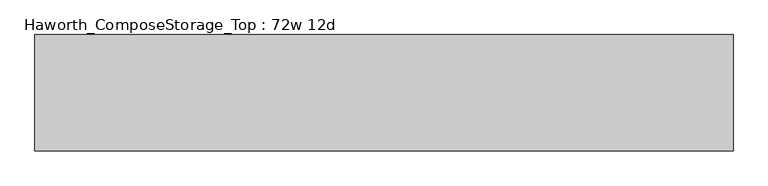
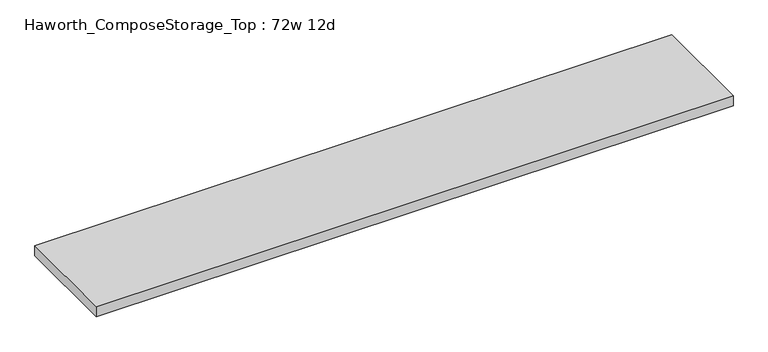
"""IFC4 building model written with IfcOpenShell, lengths in millimetres: furniture geometry, Haworth_ComposeStorage_Top : 72w 12d."""

from ifc_helpers import new_model, si_unit, frame, origin, place, context, project, spatial, polyline, outline, extrude, source, transform, mapped, element, save


def haworth_composestorage_top_72w_12d_dcd71337(model_context):
    return source(origin(), model_context, "Body", "SweptSolid", [
        extrude(outline(polyline([(914.4, 152.4), (914.4, -152.4), (-914.4, -152.4), (-914.4, 152.4), (914.4, 152.4)])), frame((0.0, 0.0, 706.4375), z_axis=(0.0, 0.0, 1.0), x_axis=(1.0, 0.0, 0.0)), (0.0, 0.0, 1.0), 30.1625),
    ])


if __name__ == "__main__":
    model = new_model("IFC4")
    model_context = context("Model", 3, world=origin())
    ifc_project = project(units=[si_unit("LENGTHUNIT", "METRE", prefix="MILLI")], contexts=[model_context])
    site = spatial("IfcSite", under=ifc_project)
    building = spatial("IfcBuilding", under=site)
    placement = place(None, origin())
    haworth_composestorage_top_72w_12d_shape = haworth_composestorage_top_72w_12d_dcd71337(model_context)
    element("IfcFurniture", 1, ObjectType="Haworth_ComposeStorage_Top : 72w 12d", at=placement, inside=building, context=model_context, shape_type="MappedRepresentation", body=[
        mapped(haworth_composestorage_top_72w_12d_shape, transform((0.0, 0.0, 0.0), x_axis=(1.0, 0.0, 0.0), y_axis=(0.0, 1.0, 0.0), z_axis=(0.0, 0.0, 1.0))),
    ])
    save(model, "model.ifc")
